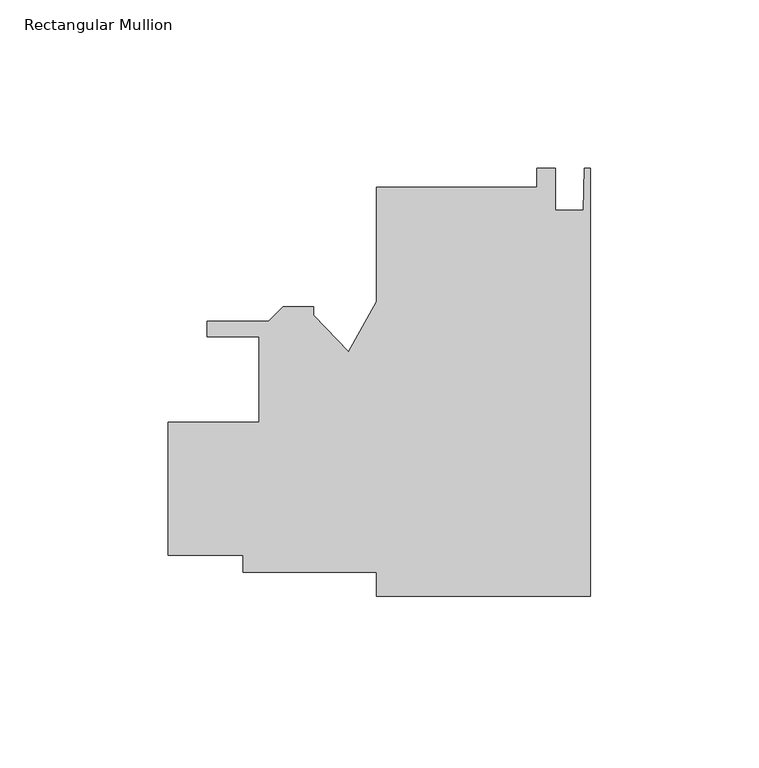
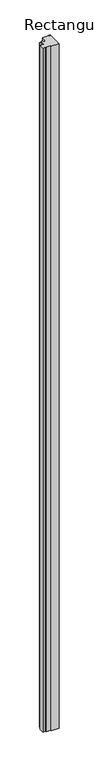
"""IFC4 building model written with IfcOpenShell, lengths in millimetres: member geometry, Rectangular Mullion."""

from ifc_helpers import new_model, si_unit, frame, origin, place, context, project, spatial, polyline, outline, extrude, source, transform, mapped, element, save


def rectangular_mullion_77659816(model_context):
    return source(origin(), model_context, "Body", "SweptSolid", [
        extrude(outline(polyline([(0.0, 62.764282), (0.0, -64.235718), (-63.5, -64.235718), (-63.5, -57.104668), (-103.1874887, -57.104668), (-103.1874887, -52.0246887), (-125.4124886, -52.0246887), (-125.4124886, -12.6546888), (-98.4249887, -12.6546888), (-98.4249887, 12.7453112), (-113.9261383, 12.7453112), (-113.9261383, 17.4443113), (-95.5436305, 17.4443113), (-91.2764305, 21.7115113), (-82.1761383, 21.7115113), (-82.1761383, 19.1715114), (-71.8458535, 8.3247124), (-63.5, 23.2354849), (-63.5, 57.201682), (-15.875, 57.201682), (-15.875, 62.7883505), (-10.3124, 62.7883505), (-10.3124, 50.419882), (-2.032, 50.419882), (-1.778, 62.764282), (0.0, 62.764282)])), frame((0.0, 0.0, -5921.4245355), z_axis=(0.0, 0.0, 1.0), x_axis=(1.0, 0.0, 0.0)), (0.0, 0.0, 1.0), 5921.4245355),
    ])


if __name__ == "__main__":
    model = new_model("IFC4")
    model_context = context("Model", 3, world=origin())
    ifc_project = project(units=[si_unit("LENGTHUNIT", "METRE", prefix="MILLI")], contexts=[model_context])
    site = spatial("IfcSite", under=ifc_project)
    building = spatial("IfcBuilding", under=site)
    placement = place(None, origin())
    rectangular_mullion_shape = rectangular_mullion_77659816(model_context)
    element("IfcMember", 1, ObjectType="Rectangular Mullion", at=placement, inside=building, context=model_context, shape_type="MappedRepresentation", body=[
        mapped(rectangular_mullion_shape, transform((0.0, 0.0, 0.0), x_axis=(1.0, 0.0, 0.0), y_axis=(0.0, 1.0, 0.0), z_axis=(0.0, 0.0, 1.0))),
    ])
    save(model, "model.ifc")
